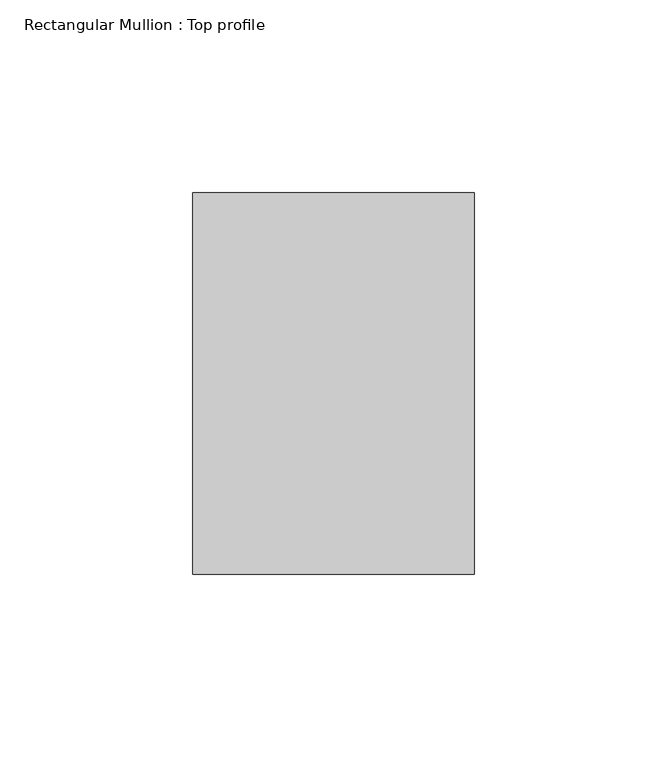
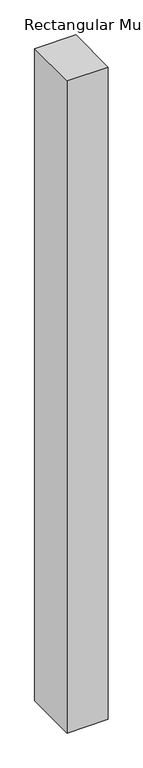
"""IFC4 building model written with IfcOpenShell, lengths in millimetres: member geometry, Rectangular Mullion : Top profile."""

from ifc_helpers import new_model, si_unit, frame, origin, place, context, project, spatial, polyline, outline, extrude, source, transform, mapped, element, save


def rectangular_mullion_top_profile_56031041(model_context):
    return source(origin(), model_context, "Body", "SweptSolid", [
        extrude(outline(polyline([(-73.0, 49.5), (0.0, 49.5), (0.0, -49.5), (-73.0, -49.5), (-73.0, 49.5)])), frame((0.0, 0.0, -1220.0), z_axis=(0.0, 0.0, 1.0), x_axis=(1.0, 0.0, 0.0)), (0.0, 0.0, 1.0), 1220.0),
    ])


if __name__ == "__main__":
    model = new_model("IFC4")
    model_context = context("Model", 3, world=origin())
    ifc_project = project(units=[si_unit("LENGTHUNIT", "METRE", prefix="MILLI")], contexts=[model_context])
    site = spatial("IfcSite", under=ifc_project)
    building = spatial("IfcBuilding", under=site)
    placement = place(None, origin())
    rectangular_mullion_top_profile_shape = rectangular_mullion_top_profile_56031041(model_context)
    element("IfcMember", 1, ObjectType="Rectangular Mullion : Top profile", at=placement, inside=building, context=model_context, shape_type="MappedRepresentation", body=[
        mapped(rectangular_mullion_top_profile_shape, transform((0.0, 0.0, 0.0), x_axis=(1.0, 0.0, 0.0), y_axis=(0.0, 1.0, 0.0), z_axis=(0.0, 0.0, 1.0))),
    ])
    save(model, "model.ifc")
